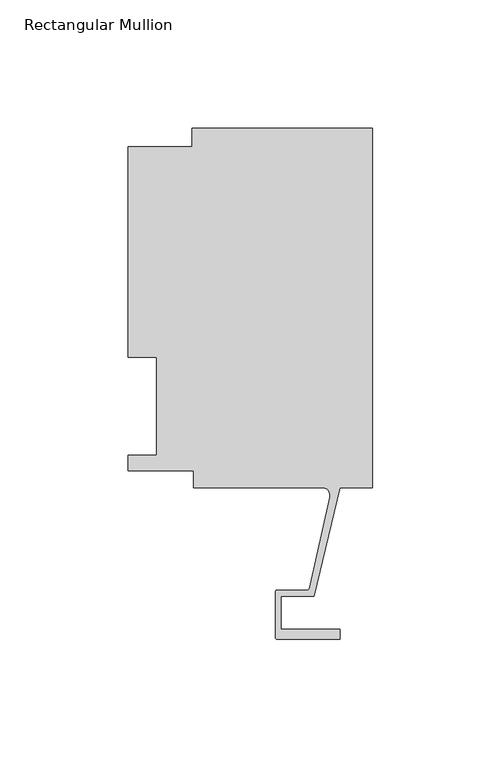
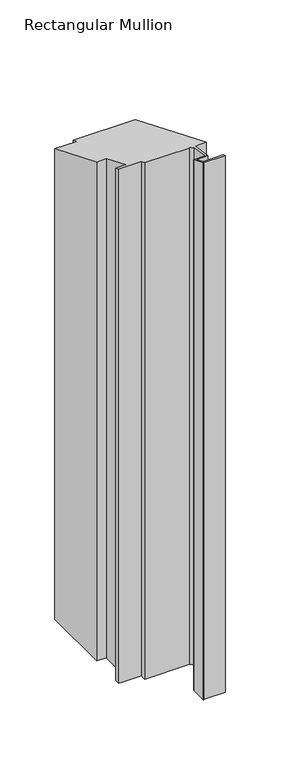
"""IFC4 building model written with IfcOpenShell, lengths in millimetres: member geometry, Rectangular Mullion."""

from ifc_helpers import new_model, si_unit, frame, origin, place, context, project, spatial, polyline, circle_curve, ellipse_curve, source, transform, mapped, element, save
from ifc_brep_helpers import plane_surface, cylinder_surface, revolved_surface, advanced_brep


def rectangular_mullion_278bd575(model_context):
    return source(origin(), model_context, "Body", "AdvancedBrep", [
        advanced_brep(
        [(-70.3072, 133.731, -616.102387), (0.0, 133.731, -616.102387), (0.0, -6.2260967, -616.102387), (-12.7, -6.2260967, -616.102387), (-22.7594087, -48.4979562, -616.102387), (-35.5718677, -48.4979562, -616.102387), (-35.5718677, -61.4061977, -616.102387), (-12.7611926, -61.4061977, -616.102387), (-12.7611926, -65.3939977, -616.102387), (-37.0704677, -65.3939977, -616.102387), (-37.8578677, -64.6065977, -616.102387), (-37.8578677, -46.9739562, -616.102387), (-37.0958677, -46.2119562, -616.102387), (-25.3893173, -46.2119562, -616.102387), (-24.6514289, -45.6401264, -616.102387), (-16.585275, -10.1038947, -616.102387), (-19.681515, -6.2260979, -616.102387), (-69.85, -6.2260979, -616.102387), (-69.85, 0.4064, -616.102387), (-95.25, 0.4064, -616.102387), (-95.25, 6.35, -616.102387), (-84.1375, 6.35, -616.102387), (-84.1375, 44.45, -616.102387), (-95.25, 44.45, -616.102387), (-95.25, 126.619, -616.102387), (-70.3072, 126.619, -616.102387), (-70.3072, 126.619, -52.4473071), (-70.3072, 133.731, -55.3931939), (-95.25, 126.619, -52.4473071), (-95.25, 44.45, -18.4117928), (-84.1375, 44.45, -18.4117928), (-84.1375, 6.35, -2.6302561), (-95.25, 6.35, -2.6302561), (-95.25, 0.4064, -0.1683364), (-69.85, 0.4064, -0.1683364), (-69.85, -6.2260979, 2.5789342), (-19.681515, -6.2260979, 2.5789342), (-16.585275, -10.1038947, 4.1851702), (-24.6514289, -45.6401264, 18.9047593), (-25.3893173, -46.2119562, 19.141619), (-37.0958677, -46.2119562, 19.141619), (-37.8578677, -46.9739562, 19.4572497), (-37.8578677, -64.6065977, 26.760929), (-37.0704677, -65.3939977, 27.0870807), (-12.7611926, -65.3939977, 27.0870807), (-12.7611926, -61.4061977, 25.4352799), (-35.5718677, -61.4061977, 25.4352799), (-35.5718677, -48.4979562, 20.0885112), (-22.7594087, -48.4979562, 20.0885112), (-12.7, -6.2260967, 2.5789337), (0.0, -6.2260967, 2.5789337), (0.0, 133.731, -55.3931939)],
        [
            (0, 1),
            (1, 2),
            (2, 3),
            (3, 4),
            (4, 5),
            (5, 6),
            (6, 7),
            (7, 8),
            (8, 9),
            (9, 10, circle_curve(frame((-37.0704677, -64.6065977, -616.102387), z_axis=(0.0, 0.0, -1.0), x_axis=(0.0, 1.0, 0.0)), 0.7874)),
            (10, 11),
            (11, 12, circle_curve(frame((-37.0958677, -46.9739562, -616.102387), z_axis=(0.0, 0.0, -1.0), x_axis=(0.0, 1.0, 0.0)), 0.762)),
            (12, 13),
            (13, 14, circle_curve(frame((-25.3679884, -45.4774789, -616.102387), z_axis=(0.0, 0.0, 1.0), x_axis=(0.0, 1.0, 0.0)), 0.7347869)),
            (14, 15),
            (15, 16, circle_curve(frame((-19.681515, -9.4010979, -616.102387), z_axis=(0.0, 0.0, 1.0), x_axis=(0.0, 1.0, 0.0)), 3.175)),
            (16, 17),
            (17, 18),
            (18, 19),
            (19, 20),
            (20, 21),
            (21, 22),
            (22, 23),
            (23, 24),
            (24, 25),
            (25, 0),
            (26, 27),
            (27, 0),
            (25, 26),
            (28, 26),
            (24, 28),
            (29, 28),
            (23, 29),
            (30, 29),
            (22, 30),
            (31, 30),
            (21, 31),
            (32, 31),
            (20, 32),
            (33, 32),
            (19, 33),
            (34, 33),
            (18, 34),
            (35, 34),
            (17, 35),
            (36, 35),
            (16, 36),
            (37, 36, ellipse_curve(frame((-19.681515, -9.4010979, 3.8940623), z_axis=(0.0, 0.38268343236508917, 0.9238795325112871), x_axis=(0.0, 0.9238795325112871, -0.3826834323650887)), 3.4365952, 3.175)),
            (15, 37),
            (38, 37),
            (14, 38),
            (39, 38, ellipse_curve(frame((-25.3679884, -45.4774789, 18.8373885), z_axis=(0.0, 0.38268343236508917, 0.9238795325112871), x_axis=(0.0, 0.9238795325112871, -0.3826834323650887)), 0.7953276, 0.7347869)),
            (13, 39),
            (40, 39),
            (12, 40),
            (41, 40, ellipse_curve(frame((-37.0958677, -46.9739562, 19.4572497), z_axis=(0.0, -0.38268343236508917, -0.9238795325112871), x_axis=(0.0, -0.9238795325112871, 0.3826834323650887)), 0.8247829, 0.762)),
            (11, 41),
            (42, 41),
            (10, 42),
            (43, 42, ellipse_curve(frame((-37.0704677, -64.6065977, 26.760929), z_axis=(0.0, -0.38268343236508917, -0.9238795325112871), x_axis=(0.0, -0.9238795325112871, 0.3826834323650887)), 0.8522756, 0.7874)),
            (9, 43),
            (44, 43),
            (8, 44),
            (45, 44),
            (7, 45),
            (46, 45),
            (6, 46),
            (47, 46),
            (5, 47),
            (48, 47),
            (4, 48),
            (49, 48),
            (3, 49),
            (50, 49),
            (2, 50),
            (51, 50),
            (1, 51),
            (27, 51),
        ],
        [
            plane_surface(frame((0.0, -158.4453649, -616.102387), z_axis=(0.0, 0.0, -1.0), x_axis=(-1.0, 0.0, 0.0))),
            plane_surface(frame((-70.3072, 133.731, 0.0), z_axis=(-1.0, 0.0, 0.0), x_axis=(0.0, 0.0, -1.0))),
            plane_surface(frame((-70.3072, 126.619, 0.0), z_axis=(0.0, 1.0, 0.0), x_axis=(0.0, 0.0, -1.0))),
            plane_surface(frame((-95.25, 126.619, 0.0), z_axis=(-1.0, 0.0, 0.0), x_axis=(0.0, 0.0, -1.0))),
            plane_surface(frame((-95.25, 44.45, 0.0), z_axis=(0.0, -1.0, 0.0), x_axis=(0.0, 0.0, -1.0))),
            plane_surface(frame((-84.1375, 44.45, 0.0), z_axis=(-1.0, 0.0, 0.0), x_axis=(0.0, 0.0, -1.0))),
            plane_surface(frame((-84.1375, 6.35, 0.0), z_axis=(0.0, 1.0, 0.0), x_axis=(0.0, 0.0, -1.0))),
            plane_surface(frame((-95.25, 6.35, 0.0), z_axis=(-1.0, 0.0, 0.0), x_axis=(0.0, 0.0, -1.0))),
            plane_surface(frame((-95.25, 0.4064, 0.0), z_axis=(0.0, -1.0, 0.0), x_axis=(0.0, 0.0, -1.0))),
            plane_surface(frame((-69.85, 0.4064, 0.0), z_axis=(-1.0, 0.0, 0.0), x_axis=(0.0, 0.0, -1.0))),
            plane_surface(frame((-69.85, -6.2260979, 0.0), z_axis=(0.0, -1.0, 0.0), x_axis=(0.0, 0.0, -1.0))),
            revolved_surface(polyline([(-19.681515, -6.2260979, -616.102387), (-19.681515, -6.2260979, 5.209190346785388)]), (-19.681515, -9.4010979, 0.0), (0.0, 0.0, -1.0)),
            plane_surface(frame((-16.585275, -10.1038947, 0.0), z_axis=(-0.9751936808086203, 0.22135330336576153, 0.0), x_axis=(0.0, 0.0, -1.0))),
            revolved_surface(polyline([(-25.3679884, -44.742692, -616.102387), (-25.3679884, -44.742692, 19.14174719582269)]), (-25.3679884, -45.4774789, 0.0), (0.0, 0.0, -1.0)),
            plane_surface(frame((-25.3893173, -46.2119562, 0.0), z_axis=(0.0, 1.0, 0.0), x_axis=(0.0, 0.0, -1.0))),
            cylinder_surface(frame((-37.0958677, -46.9739562, 0.0), z_axis=(0.0, 0.0, 1.0), x_axis=(0.0, 1.0, 0.0)), 0.762),
            plane_surface(frame((-37.8578677, -46.9739562, 0.0), z_axis=(-1.0, 0.0, 0.0), x_axis=(0.0, 0.0, -1.0))),
            cylinder_surface(frame((-37.0704677, -64.6065977, 0.0), z_axis=(0.0, 0.0, 1.0), x_axis=(0.0, 1.0, 0.0)), 0.7874),
            plane_surface(frame((-37.0704677, -65.3939977, 0.0), z_axis=(0.0, -1.0, 0.0), x_axis=(0.0, 0.0, -1.0))),
            plane_surface(frame((-12.7611926, -65.3939977, 0.0), z_axis=(1.0, 0.0, 0.0), x_axis=(0.0, 0.0, -1.0))),
            plane_surface(frame((-12.7611926, -61.4061977, 0.0), z_axis=(0.0, 1.0, 0.0), x_axis=(0.0, 0.0, -1.0))),
            plane_surface(frame((-35.5718677, -61.4061977, 0.0), z_axis=(1.0, 0.0, 0.0), x_axis=(0.0, 0.0, -1.0))),
            plane_surface(frame((-35.5718677, -48.4979562, 0.0), z_axis=(0.0, -1.0, 0.0), x_axis=(0.0, 0.0, -1.0))),
            plane_surface(frame((-22.7594087, -48.4979562, 0.0), z_axis=(0.972833793207084, -0.23150466689532792, 0.0), x_axis=(0.0, 0.0, -1.0))),
            plane_surface(frame((-12.7, -6.2260967, 0.0), z_axis=(0.0, -1.0, 0.0), x_axis=(0.0, 0.0, -1.0))),
            plane_surface(frame((0.0, -6.2260967, 0.0), z_axis=(1.0, 0.0, 0.0), x_axis=(0.0, 0.0, -1.0))),
            plane_surface(frame((0.0, 133.731, 0.0), z_axis=(0.0, 1.0, 0.0), x_axis=(0.0, 0.0, -1.0))),
            plane_surface(frame((-304.8, 0.0, 0.0), z_axis=(0.0, 0.38268343236508917, 0.9238795325112871), x_axis=(0.0, 0.9238795325112871, -0.38268343236508917))),
        ],
        [
            (0, [[1, 2, 3, 4, 5, 6, 7, 8, 9, 10, 11, 12, 13, 14, 15, 16, 17, 18, 19, 20, 21, 22, 23, 24, 25, 26]]),
            (1, [[27, 28, -26, 29]]),
            (2, [[30, -29, -25, 31]]),
            (3, [[32, -31, -24, 33]]),
            (4, [[34, -33, -23, 35]]),
            (5, [[36, -35, -22, 37]]),
            (6, [[38, -37, -21, 39]]),
            (7, [[40, -39, -20, 41]]),
            (8, [[42, -41, -19, 43]]),
            (9, [[44, -43, -18, 45]]),
            (10, [[46, -45, -17, 47]]),
            (11, [[48, -47, -16, 49]]),
            (12, [[50, -49, -15, 51]]),
            (13, [[52, -51, -14, 53]]),
            (14, [[54, -53, -13, 55]]),
            (15, [[56, -55, -12, 57]]),
            (16, [[58, -57, -11, 59]]),
            (17, [[60, -59, -10, 61]]),
            (18, [[62, -61, -9, 63]]),
            (19, [[64, -63, -8, 65]]),
            (20, [[66, -65, -7, 67]]),
            (21, [[68, -67, -6, 69]]),
            (22, [[70, -69, -5, 71]]),
            (23, [[72, -71, -4, 73]]),
            (24, [[74, -73, -3, 75]]),
            (25, [[76, -75, -2, 77]]),
            (26, [[78, -77, -1, -28]]),
            (27, [[-27, -30, -32, -34, -36, -38, -40, -42, -44, -46, -48, -50, -52, -54, -56, -58, -60, -62, -64, -66, -68, -70, -72, -74, -76, -78]]),
        ],
    ),
    ])


if __name__ == "__main__":
    model = new_model("IFC4")
    model_context = context("Model", 3, world=origin())
    ifc_project = project(units=[si_unit("LENGTHUNIT", "METRE", prefix="MILLI")], contexts=[model_context])
    site = spatial("IfcSite", under=ifc_project)
    building = spatial("IfcBuilding", under=site)
    placement = place(None, origin())
    rectangular_mullion_shape = rectangular_mullion_278bd575(model_context)
    element("IfcMember", 1, ObjectType="Rectangular Mullion", at=placement, inside=building, context=model_context, shape_type="MappedRepresentation", body=[
        mapped(rectangular_mullion_shape, transform((0.0, 0.0, 0.0), x_axis=(1.0, 0.0, 0.0), y_axis=(0.0, 1.0, 0.0), z_axis=(0.0, 0.0, 1.0))),
    ])
    save(model, "model.ifc")
